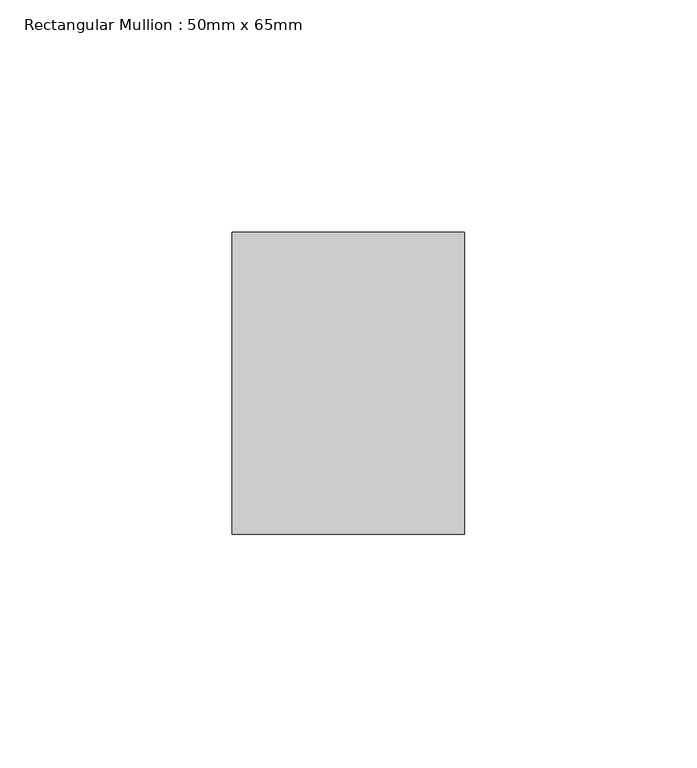
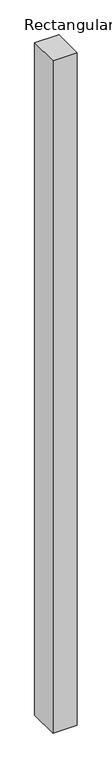
"""IFC4 building model written with IfcOpenShell, lengths in millimetres: member geometry, Rectangular Mullion : 50mm x 65mm."""

from ifc_helpers import new_model, si_unit, frame, origin, place, context, project, spatial, polyline, outline, extrude, source, transform, mapped, element, save


def rectangular_mullion_50mm_x_65mm_f8fabd59(model_context):
    return source(origin(), model_context, "Body", "SweptSolid", [
        extrude(outline(polyline([(25.0, 32.5), (25.0, -32.5), (-25.0, -32.5), (-25.0, 32.5), (25.0, 32.5)])), frame((0.0, 0.0, -1473.7163834), z_axis=(0.0, 0.0, 1.0), x_axis=(1.0, 0.0, 0.0)), (0.0, 0.0, 1.0), 1473.7163834),
    ])


if __name__ == "__main__":
    model = new_model("IFC4")
    model_context = context("Model", 3, world=origin())
    ifc_project = project(units=[si_unit("LENGTHUNIT", "METRE", prefix="MILLI")], contexts=[model_context])
    site = spatial("IfcSite", under=ifc_project)
    building = spatial("IfcBuilding", under=site)
    placement = place(None, origin())
    rectangular_mullion_50mm_x_65mm_shape = rectangular_mullion_50mm_x_65mm_f8fabd59(model_context)
    element("IfcMember", 1, ObjectType="Rectangular Mullion : 50mm x 65mm", at=placement, inside=building, context=model_context, shape_type="MappedRepresentation", body=[
        mapped(rectangular_mullion_50mm_x_65mm_shape, transform((0.0, 0.0, 0.0), x_axis=(1.0, 0.0, 0.0), y_axis=(0.0, 1.0, 0.0), z_axis=(0.0, 0.0, 1.0))),
    ])
    save(model, "model.ifc")
